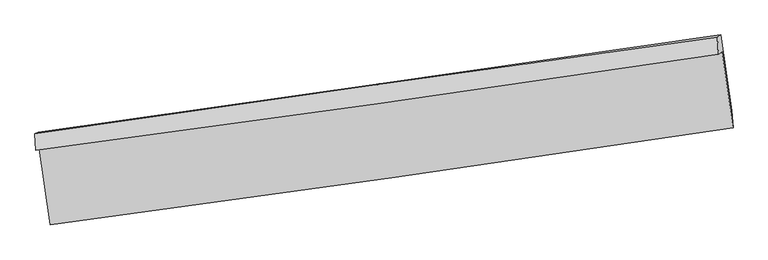
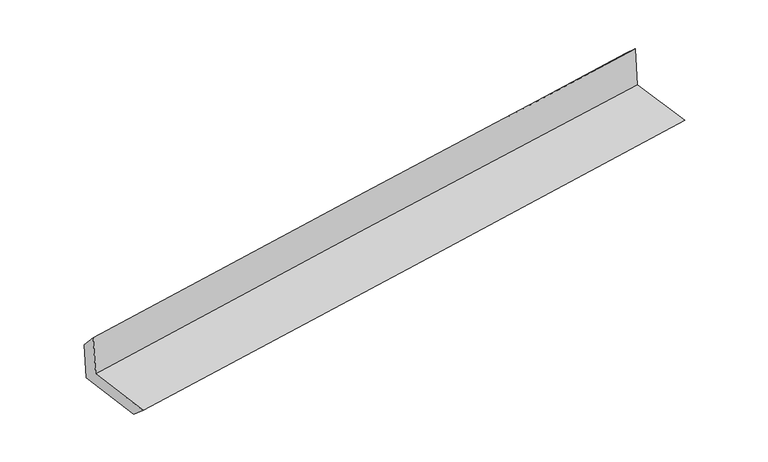
"""IFC4 building model written with IfcOpenShell, lengths in millimetres: proxy geometry."""

from ifc_helpers import new_model, si_unit, frame, origin, place, context, project, spatial, source, transform, mapped, element, save
from ifc_brep_helpers import plane_surface, spline_curve, spline_surface, advanced_brep


def generic_models_7815709c(model_context):
    return source(origin(), model_context, "Body", "AdvancedBrep", [
        advanced_brep(
        [(-3003.8029346, -1919.6180351, 1653.5145631), (-2907.5233306, -2585.1378481, 1634.2123149), (3052.1599769, -1737.5936134, 2129.9819106), (2956.7824385, -1072.5628046, 2139.6380533), (-3036.9033568, -1933.6560107, 2060.14778), (2924.2587575, -1093.8833396, 2551.5845483), (-3043.4689707, -1790.7108686, 1900.7649021), (2914.9701228, -945.6513008, 2415.042944), (-3013.4776248, -1775.961207, 1528.9820171), (2945.5283958, -925.924081, 2028.4926431), (-2917.7642521, -2433.4395994, 1502.9947515), (3041.9257931, -1588.1012034, 2002.319657)],
        [
            (0, 1),
            (1, 2, spline_curve(3, [(-2907.5233306, -2585.1378481, 1634.2123149), (-1913.605619506, -2451.249696095, 1721.714778312), (-920.011450196, -2313.677676722, 1806.779754354), (1066.549665467, -2031.163078948, 1972.036383935), (2059.51659848, -1886.220353458, 2052.227939666), (3052.1599769, -1737.5936134, 2129.9819106)], [4, 2, 4], [0.0, 9.908257524708954, 19.816713159289932])),
            (2, 3),
            (3, 0, spline_curve(3, [(2956.7824385, -1072.5628046, 2139.6380533), (1963.03969579, -1219.259427373, 2071.442395968), (969.44791221, -1363.196352924, 1996.833807701), (-1017.413872533, -1645.547985975, 1834.792387645), (-2010.683880255, -1783.962804155, 1747.359812759), (-3003.8029346, -1919.6180351, 1653.5145631)], [4, 2, 4], [0.0, 9.908455634580978, 19.816713159289932])),
            (4, 0),
            (3, 5),
            (5, 4, spline_curve(3, [(2924.2587575, -1093.8833396, 2551.5845483), (1930.74625296, -1241.705843293, 2482.575797497), (937.221524754, -1385.598811277, 2407.117884217), (-1049.832513755, -1665.522877891, 2243.305370235), (-2043.361823649, -1801.554133431, 2154.951027341), (-3036.9033568, -1933.6560107, 2060.14778)], [4, 2, 4], [0.0, 9.908582110691299, 19.816966108981806])),
            (6, 4),
            (5, 7),
            (7, 6, spline_curve(3, [(2914.9701228, -945.6513008, 2415.042944), (1921.381768971, -1082.250738949, 2328.426794009), (928.046039356, -1220.972813634, 2242.261791491), (-1058.100314831, -1502.659421314, 2070.835795474), (-2050.910950002, -1645.623868829, 1985.574784001), (-3043.4689707, -1790.7108686, 1900.7649021)], [4, 2, 4], [0.0, 9.90830422595159, 19.816410345058422])),
            (8, 6),
            (7, 9),
            (9, 8, spline_curve(3, [(2945.5283958, -925.924081, 2028.4926431), (1952.41067304, -1068.220814781, 1945.808005804), (959.263011917, -1210.206313753, 1862.83938256), (-1027.072329704, -1493.552009809, 1696.335828995), (-2020.260008787, -1634.912219399, 1612.800910454), (-3013.4776248, -1775.961207, 1528.9820171)], [4, 2, 4], [0.0, 9.908247000920712, 19.816295896140826])),
            (10, 8),
            (9, 11),
            (11, 10, spline_curve(3, [(3041.9257931, -1588.1012034, 2002.319657), (2047.989953448, -1724.778093493, 1919.857147559), (1054.376234551, -1863.562130274, 1837.015064191), (-932.187100858, -2145.341679745, 1670.573414145), (-1925.136730582, -2288.337108501, 1586.973862064), (-2917.7642521, -2433.4395994, 1502.9947515)], [4, 2, 4], [0.0, 9.908270158530598, 19.816342210897584])),
            (1, 10),
            (11, 2),
        ],
        [
            spline_surface(3, 3, [[(-3003.8029346, -1919.6180351, 1653.5145631), (-2010.68388031, -1783.962804071, 1747.35981284), (-1017.413872651, -1645.547986028, 1834.792387754), (969.447912328, -1363.196352872, 1996.833807592), (1963.039695738, -1219.259427434, 2071.442396077), (2956.7824385, -1072.5628046, 2139.6380533)], [(-2971.709733266, -2141.457972743, 1647.080480354), (-1978.324460054, -2006.391768034, 1738.811468005), (-984.94639848, -1868.257882921, 1825.454843324), (1001.815163313, -1585.851928297, 1988.567999678), (1995.198663296, -1441.579736143, 2065.037577261), (2988.5749513, -1294.239740879, 2136.419339065)], [(-2939.616531934, -2363.297910457, 1640.646397646), (-1945.965039798, -2228.82073207, 1730.263123208), (-952.478924246, -2090.967779721, 1816.117298881), (1034.18241436, -1808.50750363, 1980.302191751), (2027.357630855, -1663.900044813, 2058.63275845), (3020.3674641, -1515.916677121, 2133.200624835)], [(-2907.5233306, -2585.1378481, 1634.2123149), (-1913.605619542, -2451.249696033, 1721.714778373), (-920.011450075, -2313.677676614, 1806.779754452), (1066.549665346, -2031.163079056, 1972.036383837), (2059.516598414, -1886.220353522, 2052.227939634), (3052.1599769, -1737.5936134, 2129.9819106)]], [4, 4], [4, 2, 4], [0.0, 2.2165554368072944], [0.0, 9.908257524708954, 19.816713159289932]),
            spline_surface(3, 3, [[(-3036.9033568, -1933.6560107, 2060.14778), (-2043.361823729, -1801.554133511, 2154.951027396), (-1049.832513793, -1665.52287787, 2243.305370239), (937.221524792, -1385.598811298, 2407.117884213), (1930.746252963, -1241.705843249, 2482.575797496), (2924.2587575, -1093.8833396, 2551.5845483)], [(-3025.869882723, -1928.976685522, 1924.60337437), (-2032.469175912, -1795.690357052, 2019.087289214), (-1039.02630008, -1658.864580579, 2107.134376078), (947.96365397, -1378.131325145, 2270.356525341), (1941.510733884, -1234.223704661, 2345.531330373), (2935.099984496, -1086.776494617, 2414.269049984)], [(-3014.836408677, -1924.297360278, 1789.05896873), (-2021.576528127, -1789.826580529, 1883.223551022), (-1028.220086364, -1652.206283319, 1970.963381914), (958.705783151, -1370.663839024, 2133.595166465), (1952.275214816, -1226.741566022, 2208.4868632), (2945.941211504, -1079.669649583, 2276.953551616)], [(-3003.8029346, -1919.6180351, 1653.5145631), (-2010.68388031, -1783.962804071, 1747.35981284), (-1017.413872651, -1645.547986028, 1834.792387754), (969.447912328, -1363.196352872, 1996.833807592), (1963.039695738, -1219.259427434, 2071.442396077), (2956.7824385, -1072.5628046, 2139.6380533)]], [4, 4], [4, 2, 4], [0.0, 1.3491429441466596], [0.0, 9.908383998290507, 19.816966108981806]),
            spline_surface(3, 3, [[(-3043.4689707, -1790.7108686, 1900.7649021), (-2050.910949982, -1645.623868882, 1985.574784027), (-1058.100314946, -1502.659421223, 2070.835795525), (928.04603947, -1220.972813725, 2242.261791439), (1921.381768898, -1082.250738821, 2328.426793932), (2914.9701228, -945.6513008, 2415.042944)], [(-3041.280432721, -1838.359249283, 1953.892528061), (-2048.394574552, -1697.600623741, 2042.033531811), (-1055.344381199, -1556.947240112, 2128.325653735), (931.104534607, -1275.848146256, 2297.213822336), (1924.503263577, -1135.402440293, 2379.809795113), (2918.066334357, -995.061980396, 2460.556812093)], [(-3039.091894779, -1886.007630017, 2007.020154039), (-2045.878199159, -1749.577378652, 2098.492279612), (-1052.58844754, -1611.235058981, 2185.815512029), (934.163029656, -1330.723478767, 2352.165853317), (1927.624758284, -1188.554141777, 2431.192796315), (2921.162545943, -1044.472660004, 2506.070680207)], [(-3036.9033568, -1933.6560107, 2060.14778), (-2043.361823729, -1801.554133511, 2154.951027396), (-1049.832513793, -1665.52287787, 2243.305370239), (937.221524792, -1385.598811298, 2407.117884213), (1930.746252963, -1241.705843249, 2482.575797496), (2924.2587575, -1093.8833396, 2551.5845483)]], [4, 4], [4, 2, 4], [0.0, 0.7717685764050574], [0.0, 9.908106119106833, 19.816410345058422]),
            spline_surface(3, 3, [[(-3013.4776248, -1775.961207, 1528.9820171), (-2020.260008636, -1634.912219551, 1612.80091032), (-1027.072329602, -1493.552009886, 1696.335829103), (959.263011816, -1210.206313676, 1862.839382451), (1952.410672941, -1068.220814652, 1945.808005684), (2945.5283958, -925.924081, 2028.4926431)], [(-3023.474740103, -1780.877760878, 1652.90964545), (-2030.476989087, -1638.482769339, 1737.058868239), (-1037.414991387, -1496.58781364, 1821.169151254), (948.857354363, -1213.795147001, 1989.31351879), (1942.067704922, -1072.897456023, 2073.34760178), (2935.342304795, -932.499820915, 2157.342743413)], [(-3033.471855397, -1785.794314722, 1776.83727375), (-2040.69396953, -1642.053319093, 1861.316826107), (-1047.75765316, -1499.623617468, 1946.002473375), (938.451696923, -1217.3839804, 2115.7876551), (1931.724736918, -1077.574097449, 2200.887197836), (2925.156213805, -939.075560885, 2286.192843687)], [(-3043.4689707, -1790.7108686, 1900.7649021), (-2050.910949982, -1645.623868882, 1985.574784027), (-1058.100314946, -1502.659421223, 2070.835795525), (928.04603947, -1220.972813725, 2242.261791439), (1921.381768898, -1082.250738821, 2328.426793932), (2914.9701228, -945.6513008, 2415.042944)]], [4, 4], [4, 2, 4], [0.0, 1.2413855658125423], [0.0, 9.908048895220114, 19.816295896140826]),
            spline_surface(3, 3, [[(-2917.7642521, -2433.4395994, 1502.9947515), (-1925.136730599, -2288.337108458, 1586.97386211), (-932.187100899, -2145.341679796, 1670.573413982), (1054.376234592, -1863.562130223, 1837.015064354), (2047.989953348, -1724.778093512, 1919.857147594), (3041.9257931, -1588.1012034, 2002.319657)], [(-2949.668709691, -2214.280135278, 1511.657173375), (-1956.844489969, -2070.528812167, 1595.582878188), (-963.815510474, -1928.078456505, 1679.160885691), (1022.671826992, -1645.776858053, 1845.623170389), (2016.130193237, -1505.925667228, 1928.507433596), (3009.793327357, -1367.375495936, 2011.043985673)], [(-2981.573167209, -1995.120671122, 1520.319595225), (-1988.552249266, -1852.720515842, 1604.191894241), (-995.443920026, -1710.815233176, 1687.748357394), (990.967419416, -1427.991585845, 1854.231276416), (1984.270433053, -1287.073240936, 1937.157719681), (2977.660861543, -1146.649788464, 2019.768314427)], [(-3013.4776248, -1775.961207, 1528.9820171), (-2020.260008636, -1634.912219551, 1612.80091032), (-1027.072329602, -1493.552009886, 1696.335829103), (959.263011816, -1210.206313676, 1862.839382451), (1952.410672941, -1068.220814652, 1945.808005684), (2945.5283958, -925.924081, 2028.4926431)]], [4, 4], [4, 2, 4], [0.0, 2.165208568803751], [0.0, 9.908072052366986, 19.816342210897584]),
            spline_surface(3, 3, [[(-2907.5233306, -2585.1378481, 1634.2123149), (-1913.605619542, -2451.249696033, 1721.714778373), (-920.011450075, -2313.677676614, 1806.779754452), (1066.549665346, -2031.163079056, 1972.036383837), (2059.516598414, -1886.220353522, 2052.227939634), (3052.1599769, -1737.5936134, 2129.9819106)], [(-2910.936971095, -2534.571765196, 1590.47312709), (-1917.449323223, -2396.945500171, 1676.801139609), (-924.070000345, -2257.56567766, 1761.377640972), (1062.491855099, -1975.296096096, 1927.029277353), (2055.674383386, -1832.406266842, 2008.104342293), (3048.748582294, -1687.762810056, 2087.427826072)], [(-2914.350611605, -2484.005682304, 1546.73393931), (-1921.293026918, -2342.64130432, 1631.887500874), (-928.128550629, -2201.453678751, 1715.975527461), (1058.434044839, -1919.429113182, 1882.022170838), (2051.832168376, -1778.592180192, 1963.980744935), (3045.337187706, -1637.932006744, 2044.873741528)], [(-2917.7642521, -2433.4395994, 1502.9947515), (-1925.136730599, -2288.337108458, 1586.97386211), (-932.187100899, -2145.341679796, 1670.573413982), (1054.376234592, -1863.562130223, 1837.015064354), (2047.989953348, -1724.778093512, 1919.857147594), (3041.9257931, -1588.1012034, 2002.319657)]], [4, 4], [4, 2, 4], [0.0, 0.7093956755489056], [0.0, 9.908090676860123, 19.816379460256243]),
            plane_surface(frame((2972.6042474, -1227.2860571, 2211.1766261), z_axis=(0.9864503742630915, 0.14023874837491632, 0.08513960635593504), x_axis=(-0.07870614400600394, -0.0508095924589496, 0.9956021937550468))),
            plane_surface(frame((-2987.1567449, -2073.0872615, 1713.4360548), z_axis=(-0.9864503742631219, -0.14023874837478856, -0.08513960635579573), x_axis=(-0.14311880829275772, 0.9892895126648852, 0.028692626999543447))),
        ],
        [
            (0, [[1, 2, 3, 4]]),
            (1, [[5, -4, 6, 7]]),
            (2, [[8, -7, 9, 10]]),
            (3, [[11, -10, 12, 13]]),
            (4, [[14, -13, 15, 16]]),
            (5, [[17, -16, 18, -2]]),
            (6, [[-12, -9, -6, -3, -18, -15]]),
            (7, [[-1, -5, -8, -11, -14, -17]]),
        ],
    ),
    ])


if __name__ == "__main__":
    model = new_model("IFC4")
    model_context = context("Model", 3, world=origin())
    ifc_project = project(units=[si_unit("LENGTHUNIT", "METRE", prefix="MILLI")], contexts=[model_context])
    site = spatial("IfcSite", under=ifc_project)
    building = spatial("IfcBuilding", under=site)
    placement = place(None, origin())
    generic_models_shape = generic_models_7815709c(model_context)
    element("IfcBuildingElementProxy", 1, Name="Generic Models", at=placement, inside=building, context=model_context, shape_type="MappedRepresentation", body=[
        mapped(generic_models_shape, transform((0.0, 0.0, 0.0), x_axis=(1.0, 0.0, 0.0), y_axis=(0.0, 1.0, 0.0), z_axis=(0.0, 0.0, 1.0))),
    ])
    save(model, "model.ifc")
